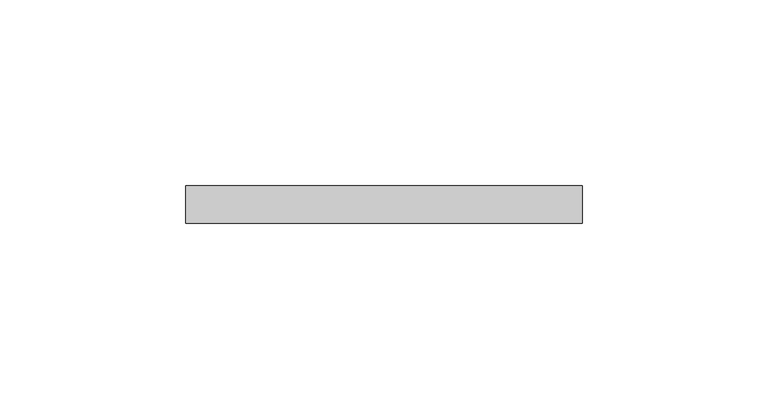
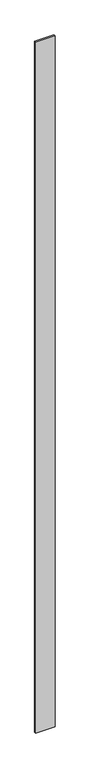
"""IFC4 building model written with IfcOpenShell, lengths in millimetres: plate geometry."""

from ifc_helpers import new_model, si_unit, origin, origin_with_axes, place, context, project, spatial, polyline, outline, extrude, source, transform, mapped, element, save


def plate_5a60b334(model_context):
    return source(origin(), model_context, "Body", "SweptSolid", [
        extrude(outline(polyline([(53.254713, -5.0), (-53.254713, -5.0), (-53.254713, 5.0), (53.254713, 5.0), (53.254713, -5.0)])), origin_with_axes(), (0.0, 0.0, 1.0), 4000.0),
    ])


if __name__ == "__main__":
    model = new_model("IFC4")
    model_context = context("Model", 3, world=origin())
    ifc_project = project(units=[si_unit("LENGTHUNIT", "METRE", prefix="MILLI")], contexts=[model_context])
    site = spatial("IfcSite", under=ifc_project)
    building = spatial("IfcBuilding", under=site)
    placement = place(None, origin())
    plate_shape = plate_5a60b334(model_context)
    element("IfcPlate", 1, at=placement, inside=building, context=model_context, shape_type="MappedRepresentation", body=[
        mapped(plate_shape, transform((0.0, 0.0, 0.0), x_axis=(1.0, 0.0, 0.0), y_axis=(0.0, 1.0, 0.0), z_axis=(0.0, 0.0, 1.0))),
    ])
    save(model, "model.ifc")
